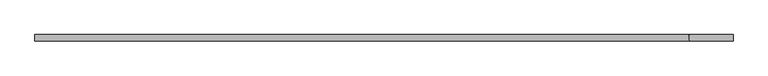
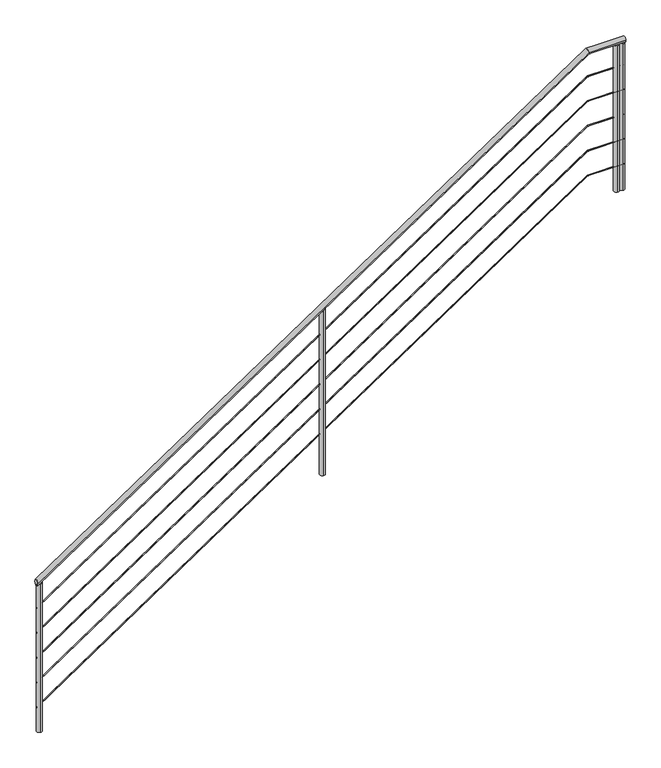
"""IFC4 building model written with IfcOpenShell, lengths in millimetres: railing geometry."""

from ifc_helpers import new_model, si_unit, point, frame, frame_2d, origin, place, context, project, spatial, circle_curve, ellipse_curve, trimmed, segment, composite_curve, outline, extrude, source, transform, mapped, element, save
from ifc_brep_helpers import plane_surface, cylinder_surface, advanced_brep


def railing_8a6d7167(model_context):
    return source(origin(), model_context, "Body", "SolidModel", [
        advanced_brep(
        [(38639.2418862, 5911.6018587, 1387.5), (38639.2418862, 5951.6018587, 1387.5), (42839.2418862, 5951.6018587, 4200.0), (42839.2418862, 5911.6018587, 4200.0), (43119.2418862, 5911.6018587, 4200.0), (43119.2418862, 5951.6018587, 4200.0)],
        [
            (0, 1, ellipse_curve(frame((38639.2418862, 5931.6018587, 1387.5), z_axis=(-1.0, 0.0, 0.0), x_axis=(0.0, 0.0, -1.0)), 24.0700773, 20.0)),
            (1, 0, ellipse_curve(frame((38639.2418862, 5931.6018587, 1387.5), z_axis=(-1.0, 0.0, 0.0), x_axis=(0.0, 0.0, -1.0)), 24.0700773, 20.0)),
            (1, 2),
            (2, 3, ellipse_curve(frame((42839.2418862, 5931.6018587, 4200.0), z_axis=(-0.9567933886099727, 0.0, -0.2907686563442594), x_axis=(0.29076865634425997, 0.0, -0.9567933886099725)), 20.9031545, 20.0)),
            (3, 0),
            (3, 2, ellipse_curve(frame((42839.2418862, 5931.6018587, 4200.0), z_axis=(-0.9567933886099727, 0.0, -0.2907686563442594), x_axis=(0.29076865634425997, 0.0, -0.9567933886099725)), 20.9031545, 20.0)),
            (4, 5, circle_curve(frame((43119.2418862, 5931.6018587, 4200.0), z_axis=(1.0, 0.0, 0.0), x_axis=(0.0, 1.0, 0.0)), 20.0)),
            (5, 4, circle_curve(frame((43119.2418862, 5931.6018587, 4200.0), z_axis=(1.0, 0.0, 0.0), x_axis=(0.0, 1.0, 0.0)), 20.0)),
            (2, 5),
            (4, 3),
        ],
        [
            plane_surface(frame((38639.2418862, 5931.6018587, 1387.5), z_axis=(-1.0, 0.0, 0.0), x_axis=(0.0, 1.0, 0.0))),
            cylinder_surface(frame((38639.2418862, 5931.6018587, 1387.5), z_axis=(-0.8309071769755081, 0.0, -0.5564110560103851), x_axis=(0.0, 1.0, 0.0)), 20.0),
            plane_surface(frame((43119.2418862, 5931.6018587, 4200.0), z_axis=(1.0, 0.0, 0.0), x_axis=(0.0, 1.0, 0.0))),
            cylinder_surface(frame((42839.2418862, 5931.6018587, 4200.0), z_axis=(-1.0, 0.0, 0.0), x_axis=(0.0, 1.0, 0.0)), 20.0),
        ],
        [
            (0, [[1, 2]]),
            (1, [[-2, 3, 4, 5]]),
            (1, [[-1, -5, 6, -3]]),
            (2, [[7, 8]]),
            (3, [[-4, 9, -7, 10]]),
            (3, [[-6, -10, -8, -9]]),
        ],
    ),
        advanced_brep(
        [(38639.2418862, 5928.6018587, 1183.8894884), (38639.2418862, 5934.6018587, 1183.8894884), (43119.2418862, 5928.6018587, 3997.0), (43119.2418862, 5934.6018587, 3997.0), (42840.1535835, 5928.6018587, 3997.0), (42840.1535835, 5934.6018587, 3997.0)],
        [
            (0, 1, ellipse_curve(frame((38639.2418862, 5931.6018587, 1183.8894884), z_axis=(-1.0, 0.0, 0.0), x_axis=(0.0, 0.0, -1.0)), 3.6105116, 3.0)),
            (1, 0, ellipse_curve(frame((38639.2418862, 5931.6018587, 1183.8894884), z_axis=(-1.0, 0.0, 0.0), x_axis=(0.0, 0.0, -1.0)), 3.6105116, 3.0)),
            (2, 3, circle_curve(frame((43119.2418862, 5931.6018587, 3997.0), z_axis=(1.0, 0.0, 0.0), x_axis=(0.0, 1.0, 0.0)), 3.0)),
            (3, 2, circle_curve(frame((43119.2418862, 5931.6018587, 3997.0), z_axis=(1.0, 0.0, 0.0), x_axis=(0.0, 1.0, 0.0)), 3.0)),
            (0, 4),
            (4, 5, ellipse_curve(frame((42840.1535835, 5931.6018587, 3997.0), z_axis=(-0.9567933886099727, 0.0, -0.2907686563442594), x_axis=(0.29076865634425997, 0.0, -0.9567933886099725)), 3.1354732, 3.0)),
            (5, 1),
            (5, 4, ellipse_curve(frame((42840.1535835, 5931.6018587, 3997.0), z_axis=(-0.9567933886099727, 0.0, -0.2907686563442594), x_axis=(0.29076865634425997, 0.0, -0.9567933886099725)), 3.1354732, 3.0)),
            (4, 2),
            (3, 5),
        ],
        [
            plane_surface(frame((38639.2418862, 5931.6018587, 1187.5), z_axis=(-1.0, 0.0, 0.0), x_axis=(0.0, 1.0, 0.0))),
            plane_surface(frame((43119.2418862, 5931.6018587, 4000.0), z_axis=(1.0, 0.0, 0.0), x_axis=(0.0, 1.0, 0.0))),
            cylinder_surface(frame((38640.9111193, 5931.6018587, 1185.0072785), z_axis=(-0.8309071769755081, 0.0, -0.5564110560103851), x_axis=(0.0, 1.0, 0.0)), 3.0),
            cylinder_surface(frame((42839.2418862, 5931.6018587, 3997.0), z_axis=(-1.0, 0.0, 0.0), x_axis=(0.0, 1.0, 0.0)), 3.0),
        ],
        [
            (0, [[1, 2]]),
            (1, [[3, 4]]),
            (2, [[-1, 5, 6, 7]]),
            (2, [[-2, -7, 8, -5]]),
            (3, [[-6, 9, -4, 10]]),
            (3, [[-8, -10, -3, -9]]),
        ],
    ),
        advanced_brep(
        [(38639.2418862, 5928.6018587, 983.8894884), (38639.2418862, 5934.6018587, 983.8894884), (42840.1535835, 5928.6018587, 3797.0), (42840.1535835, 5934.6018587, 3797.0), (43119.2418862, 5928.6018587, 3797.0), (43119.2418862, 5934.6018587, 3797.0)],
        [
            (0, 1, ellipse_curve(frame((38639.2418862, 5931.6018587, 983.8894884), z_axis=(-1.0, 0.0, 0.0), x_axis=(0.0, 0.0, -1.0)), 3.6105116, 3.0)),
            (1, 0, ellipse_curve(frame((38639.2418862, 5931.6018587, 983.8894884), z_axis=(-1.0, 0.0, 0.0), x_axis=(0.0, 0.0, -1.0)), 3.6105116, 3.0)),
            (0, 2),
            (2, 3, ellipse_curve(frame((42840.1535835, 5931.6018587, 3797.0), z_axis=(-0.9567933886099727, 0.0, -0.2907686563442594), x_axis=(0.29076865634425997, 0.0, -0.9567933886099725)), 3.1354732, 3.0)),
            (3, 1),
            (3, 2, ellipse_curve(frame((42840.1535835, 5931.6018587, 3797.0), z_axis=(-0.9567933886099727, 0.0, -0.2907686563442594), x_axis=(0.29076865634425997, 0.0, -0.9567933886099725)), 3.1354732, 3.0)),
            (4, 5, circle_curve(frame((43119.2418862, 5931.6018587, 3797.0), z_axis=(1.0, 0.0, 0.0), x_axis=(0.0, 1.0, 0.0)), 3.0)),
            (5, 4, circle_curve(frame((43119.2418862, 5931.6018587, 3797.0), z_axis=(1.0, 0.0, 0.0), x_axis=(0.0, 1.0, 0.0)), 3.0)),
            (2, 4),
            (5, 3),
        ],
        [
            plane_surface(frame((38639.2418862, 5931.6018587, 987.5), z_axis=(-1.0, 0.0, 0.0), x_axis=(0.0, 1.0, 0.0))),
            cylinder_surface(frame((38640.9111193, 5931.6018587, 985.0072785), z_axis=(-0.8309071769755081, 0.0, -0.5564110560103851), x_axis=(0.0, 1.0, 0.0)), 3.0),
            plane_surface(frame((43119.2418862, 5931.6018587, 3800.0), z_axis=(1.0, 0.0, 0.0), x_axis=(0.0, 1.0, 0.0))),
            cylinder_surface(frame((42839.2418862, 5931.6018587, 3797.0), z_axis=(-1.0, 0.0, 0.0), x_axis=(0.0, 1.0, 0.0)), 3.0),
        ],
        [
            (0, [[1, 2]]),
            (1, [[-1, 3, 4, 5]]),
            (1, [[-2, -5, 6, -3]]),
            (2, [[7, 8]]),
            (3, [[-4, 9, -8, 10]]),
            (3, [[-6, -10, -7, -9]]),
        ],
    ),
        advanced_brep(
        [(38639.2418862, 5928.6018587, 783.8894884), (38639.2418862, 5934.6018587, 783.8894884), (42840.1535835, 5928.6018587, 3597.0), (42840.1535835, 5934.6018587, 3597.0), (43119.2418862, 5928.6018587, 3597.0), (43119.2418862, 5934.6018587, 3597.0)],
        [
            (0, 1, ellipse_curve(frame((38639.2418862, 5931.6018587, 783.8894884), z_axis=(-1.0, 0.0, 0.0), x_axis=(0.0, 0.0, -1.0)), 3.6105116, 3.0)),
            (1, 0, ellipse_curve(frame((38639.2418862, 5931.6018587, 783.8894884), z_axis=(-1.0, 0.0, 0.0), x_axis=(0.0, 0.0, -1.0)), 3.6105116, 3.0)),
            (0, 2),
            (2, 3, ellipse_curve(frame((42840.1535835, 5931.6018587, 3597.0), z_axis=(-0.9567933886099727, 0.0, -0.2907686563442594), x_axis=(0.29076865634425997, 0.0, -0.9567933886099725)), 3.1354732, 3.0)),
            (3, 1),
            (3, 2, ellipse_curve(frame((42840.1535835, 5931.6018587, 3597.0), z_axis=(-0.9567933886099727, 0.0, -0.2907686563442594), x_axis=(0.29076865634425997, 0.0, -0.9567933886099725)), 3.1354732, 3.0)),
            (4, 5, circle_curve(frame((43119.2418862, 5931.6018587, 3597.0), z_axis=(1.0, 0.0, 0.0), x_axis=(0.0, 1.0, 0.0)), 3.0)),
            (5, 4, circle_curve(frame((43119.2418862, 5931.6018587, 3597.0), z_axis=(1.0, 0.0, 0.0), x_axis=(0.0, 1.0, 0.0)), 3.0)),
            (2, 4),
            (5, 3),
        ],
        [
            plane_surface(frame((38639.2418862, 5931.6018587, 787.5), z_axis=(-1.0, 0.0, 0.0), x_axis=(0.0, 1.0, 0.0))),
            cylinder_surface(frame((38640.9111193, 5931.6018587, 785.0072785), z_axis=(-0.8309071769755081, 0.0, -0.5564110560103851), x_axis=(0.0, 1.0, 0.0)), 3.0),
            plane_surface(frame((43119.2418862, 5931.6018587, 3600.0), z_axis=(1.0, 0.0, 0.0), x_axis=(0.0, 1.0, 0.0))),
            cylinder_surface(frame((42839.2418862, 5931.6018587, 3597.0), z_axis=(-1.0, 0.0, 0.0), x_axis=(0.0, 1.0, 0.0)), 3.0),
        ],
        [
            (0, [[1, 2]]),
            (1, [[-1, 3, 4, 5]]),
            (1, [[-2, -5, 6, -3]]),
            (2, [[7, 8]]),
            (3, [[-4, 9, -8, 10]]),
            (3, [[-6, -10, -7, -9]]),
        ],
    ),
        advanced_brep(
        [(38639.2418862, 5928.6018587, 583.8894884), (38639.2418862, 5934.6018587, 583.8894884), (42840.1535835, 5928.6018587, 3397.0), (42840.1535835, 5934.6018587, 3397.0), (43119.2418862, 5928.6018587, 3397.0), (43119.2418862, 5934.6018587, 3397.0)],
        [
            (0, 1, ellipse_curve(frame((38639.2418862, 5931.6018587, 583.8894884), z_axis=(-1.0, 0.0, 0.0), x_axis=(0.0, 0.0, -1.0)), 3.6105116, 3.0)),
            (1, 0, ellipse_curve(frame((38639.2418862, 5931.6018587, 583.8894884), z_axis=(-1.0, 0.0, 0.0), x_axis=(0.0, 0.0, -1.0)), 3.6105116, 3.0)),
            (0, 2),
            (2, 3, ellipse_curve(frame((42840.1535835, 5931.6018587, 3397.0), z_axis=(-0.9567933886099727, 0.0, -0.2907686563442594), x_axis=(0.29076865634425997, 0.0, -0.9567933886099725)), 3.1354732, 3.0)),
            (3, 1),
            (3, 2, ellipse_curve(frame((42840.1535835, 5931.6018587, 3397.0), z_axis=(-0.9567933886099727, 0.0, -0.2907686563442594), x_axis=(0.29076865634425997, 0.0, -0.9567933886099725)), 3.1354732, 3.0)),
            (4, 5, circle_curve(frame((43119.2418862, 5931.6018587, 3397.0), z_axis=(1.0, 0.0, 0.0), x_axis=(0.0, 1.0, 0.0)), 3.0)),
            (5, 4, circle_curve(frame((43119.2418862, 5931.6018587, 3397.0), z_axis=(1.0, 0.0, 0.0), x_axis=(0.0, 1.0, 0.0)), 3.0)),
            (2, 4),
            (5, 3),
        ],
        [
            plane_surface(frame((38639.2418862, 5931.6018587, 587.5), z_axis=(-1.0, 0.0, 0.0), x_axis=(0.0, 1.0, 0.0))),
            cylinder_surface(frame((38640.9111193, 5931.6018587, 585.0072785), z_axis=(-0.8309071769755081, 0.0, -0.5564110560103851), x_axis=(0.0, 1.0, 0.0)), 3.0),
            plane_surface(frame((43119.2418862, 5931.6018587, 3400.0), z_axis=(1.0, 0.0, 0.0), x_axis=(0.0, 1.0, 0.0))),
            cylinder_surface(frame((42839.2418862, 5931.6018587, 3397.0), z_axis=(-1.0, 0.0, 0.0), x_axis=(0.0, 1.0, 0.0)), 3.0),
        ],
        [
            (0, [[1, 2]]),
            (1, [[-1, 3, 4, 5]]),
            (1, [[-2, -5, 6, -3]]),
            (2, [[7, 8]]),
            (3, [[-4, 9, -8, 10]]),
            (3, [[-6, -10, -7, -9]]),
        ],
    ),
        advanced_brep(
        [(38639.2418862, 5928.6018587, 383.8894884), (38639.2418862, 5934.6018587, 383.8894884), (42840.1535835, 5928.6018587, 3197.0), (42840.1535835, 5934.6018587, 3197.0), (43119.2418862, 5928.6018587, 3197.0), (43119.2418862, 5934.6018587, 3197.0)],
        [
            (0, 1, ellipse_curve(frame((38639.2418862, 5931.6018587, 383.8894884), z_axis=(-1.0, 0.0, 0.0), x_axis=(0.0, 0.0, -1.0)), 3.6105116, 3.0)),
            (1, 0, ellipse_curve(frame((38639.2418862, 5931.6018587, 383.8894884), z_axis=(-1.0, 0.0, 0.0), x_axis=(0.0, 0.0, -1.0)), 3.6105116, 3.0)),
            (0, 2),
            (2, 3, ellipse_curve(frame((42840.1535835, 5931.6018587, 3197.0), z_axis=(-0.9567933886099727, 0.0, -0.2907686563442594), x_axis=(0.29076865634425997, 0.0, -0.9567933886099725)), 3.1354732, 3.0)),
            (3, 1),
            (3, 2, ellipse_curve(frame((42840.1535835, 5931.6018587, 3197.0), z_axis=(-0.9567933886099727, 0.0, -0.2907686563442594), x_axis=(0.29076865634425997, 0.0, -0.9567933886099725)), 3.1354732, 3.0)),
            (4, 5, circle_curve(frame((43119.2418862, 5931.6018587, 3197.0), z_axis=(1.0, 0.0, 0.0), x_axis=(0.0, 1.0, 0.0)), 3.0)),
            (5, 4, circle_curve(frame((43119.2418862, 5931.6018587, 3197.0), z_axis=(1.0, 0.0, 0.0), x_axis=(0.0, 1.0, 0.0)), 3.0)),
            (2, 4),
            (5, 3),
        ],
        [
            plane_surface(frame((38639.2418862, 5931.6018587, 387.5), z_axis=(-1.0, 0.0, 0.0), x_axis=(0.0, 1.0, 0.0))),
            cylinder_surface(frame((38640.9111193, 5931.6018587, 385.0072785), z_axis=(-0.8309071769755081, 0.0, -0.5564110560103851), x_axis=(0.0, 1.0, 0.0)), 3.0),
            plane_surface(frame((43119.2418862, 5931.6018587, 3200.0), z_axis=(1.0, 0.0, 0.0), x_axis=(0.0, 1.0, 0.0))),
            cylinder_surface(frame((42839.2418862, 5931.6018587, 3197.0), z_axis=(-1.0, 0.0, 0.0), x_axis=(0.0, 1.0, 0.0)), 3.0),
        ],
        [
            (0, [[1, 2]]),
            (1, [[-1, 3, 4, 5]]),
            (1, [[-2, -5, 6, -3]]),
            (2, [[7, 8]]),
            (3, [[-4, 9, -8, 10]]),
            (3, [[-6, -10, -7, -9]]),
        ],
    ),
        extrude(outline(composite_curve([segment(trimmed(circle_curve(frame_2d((43058.7013456, 5931.6018587)), 20.0), [point((43058.7013456, 5911.6018587))], [point((43058.7013456, 5951.6018587))], False, "CARTESIAN"), True, "CONTINUOUS"), segment(trimmed(circle_curve(frame_2d((43058.7013456, 5931.6018587)), 20.0), [point((43058.7013456, 5951.6018587))], [point((43058.7013456, 5911.6018587))], False, "CARTESIAN"), True, "CONTINUOUS")], self_intersect=False)), frame((0.0, 0.0, 3000.0), z_axis=(0.0, 0.0, 1.0), x_axis=(1.0, 0.0, 0.0)), (0.0, 0.0, 1.0), 1180.0),
        advanced_brep(
        [(40818.7013456, 5951.6018587, 2826.9594595), (40818.7013456, 5911.6018587, 2826.9594595), (40818.7013456, 5911.6018587, 1500.0), (40818.7013456, 5951.6018587, 1500.0)],
        [
            (0, 1, ellipse_curve(frame((40818.7013456, 5931.6018587, 2826.9594595), z_axis=(0.5564110560103851, 0.0, -0.8309071769755081), x_axis=(0.8309071769755082, 0.0, 0.5564110560103848)), 24.0700773, 20.0)),
            (1, 2),
            (2, 3, circle_curve(frame((40818.7013456, 5931.6018587, 1500.0), z_axis=(0.0, 0.0, 1.0), x_axis=(0.0, -1.0, 0.0)), 20.0)),
            (3, 0),
            (3, 2, circle_curve(frame((40818.7013456, 5931.6018587, 1500.0), z_axis=(0.0, 0.0, 1.0), x_axis=(0.0, -1.0, 0.0)), 20.0)),
            (1, 0, ellipse_curve(frame((40818.7013456, 5931.6018587, 2826.9594595), z_axis=(0.5564110560103851, 0.0, -0.8309071769755081), x_axis=(0.8309071769755082, 0.0, 0.5564110560103848)), 24.0700773, 20.0)),
        ],
        [
            cylinder_surface(frame((40818.7013456, 5931.6018587, 1400.0), z_axis=(0.0, 0.0, 1.0), x_axis=(0.0, -1.0, 0.0)), 20.0),
            plane_surface(frame((40858.7013456, 5891.6018587, 2853.7451737), z_axis=(-0.5564110560103851, 0.0, 0.8309071769755081), x_axis=(0.0, 1.0, 0.0))),
            plane_surface(frame((40778.7013456, 5891.6018587, 1500.0), z_axis=(0.0, 0.0, -1.0), x_axis=(0.0, 1.0, 0.0))),
        ],
        [
            (0, [[1, 2, 3, 4]]),
            (0, [[5, -2, 6, -4]]),
            (1, [[-6, -1]]),
            (2, [[-5, -3]]),
        ],
    ),
        extrude(outline(composite_curve([segment(trimmed(circle_curve(frame_2d((43099.2418862, 5931.6018587)), 20.0), [point((43099.2418862, 5911.6018587))], [point((43099.2418862, 5951.6018587))], False, "CARTESIAN"), True, "CONTINUOUS"), segment(trimmed(circle_curve(frame_2d((43099.2418862, 5931.6018587)), 20.0), [point((43099.2418862, 5951.6018587))], [point((43099.2418862, 5911.6018587))], False, "CARTESIAN"), True, "CONTINUOUS")], self_intersect=False)), frame((0.0, 0.0, 3000.0), z_axis=(0.0, 0.0, 1.0), x_axis=(1.0, 0.0, 0.0)), (0.0, 0.0, 1.0), 1180.0),
        advanced_brep(
        [(38659.2418862, 5951.6018587, 1380.8928571), (38659.2418862, 5911.6018587, 1380.8928571), (38659.2418862, 5911.6018587, 187.5), (38659.2418862, 5951.6018587, 187.5)],
        [
            (0, 1, ellipse_curve(frame((38659.2418862, 5931.6018587, 1380.8928571), z_axis=(0.5564110560103841, 0.0, -0.8309071769755086), x_axis=(0.8309071769755086, 0.0, 0.5564110560103841)), 24.0700773, 20.0)),
            (1, 2),
            (2, 3, circle_curve(frame((38659.2418862, 5931.6018587, 187.5), z_axis=(0.0, 0.0, 1.0), x_axis=(0.0, -1.0, 0.0)), 20.0)),
            (3, 0),
            (3, 2, circle_curve(frame((38659.2418862, 5931.6018587, 187.5), z_axis=(0.0, 0.0, 1.0), x_axis=(0.0, -1.0, 0.0)), 20.0)),
            (1, 0, ellipse_curve(frame((38659.2418862, 5931.6018587, 1380.8928571), z_axis=(0.5564110560103841, 0.0, -0.8309071769755086), x_axis=(0.8309071769755086, 0.0, 0.5564110560103841)), 24.0700773, 20.0)),
        ],
        [
            cylinder_surface(frame((38659.2418862, 5931.6018587, 87.5), z_axis=(0.0, 0.0, 1.0), x_axis=(0.0, -1.0, 0.0)), 20.0),
            plane_surface(frame((38699.2418862, 5891.6018587, 1407.6785714), z_axis=(-0.5564110560103841, 0.0, 0.8309071769755086), x_axis=(0.0, 1.0, 0.0))),
            plane_surface(frame((38619.2418862, 5891.6018587, 187.5), z_axis=(0.0, 0.0, -1.0), x_axis=(0.0, 1.0, 0.0))),
        ],
        [
            (0, [[1, 2, 3, 4]]),
            (0, [[5, -2, 6, -4]]),
            (1, [[-6, -1]]),
            (2, [[-5, -3]]),
        ],
    ),
    ])


if __name__ == "__main__":
    model = new_model("IFC4")
    model_context = context("Model", 3, world=origin())
    ifc_project = project(units=[si_unit("LENGTHUNIT", "METRE", prefix="MILLI")], contexts=[model_context])
    site = spatial("IfcSite", under=ifc_project)
    building = spatial("IfcBuilding", under=site)
    placement = place(None, origin())
    railing_shape = railing_8a6d7167(model_context)
    element("IfcRailing", 1, at=placement, inside=building, context=model_context, shape_type="MappedRepresentation", body=[
        mapped(railing_shape, transform((0.0, 0.0, 0.0), x_axis=(1.0, 0.0, 0.0), y_axis=(0.0, 1.0, 0.0), z_axis=(0.0, 0.0, 1.0))),
    ])
    save(model, "model.ifc")
